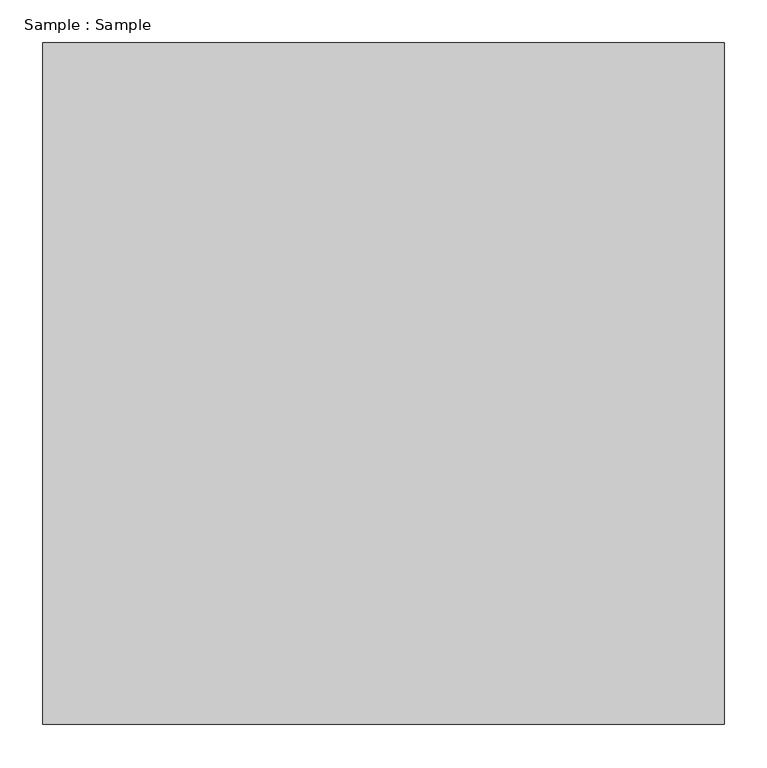
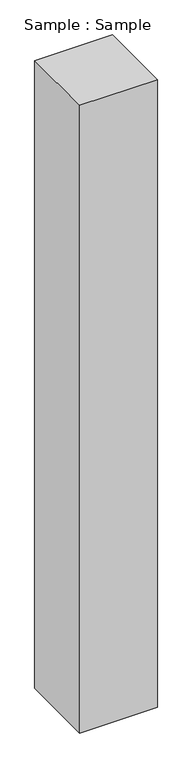
"""IFC4 building model written with IfcOpenShell, lengths in millimetres: proxy geometry, Sample : Sample."""

from ifc_helpers import new_model, si_unit, origin, origin_with_axes, place, context, project, spatial, polyline, outline, extrude, source, transform, mapped, element, save


def sample_sample_cf50a6cc(model_context):
    return source(origin(), model_context, "Body", "SweptSolid", [
        extrude(outline(polyline([(400.0, 400.0), (400.0, -400.0), (-400.0, -400.0), (-400.0, 400.0), (400.0, 400.0)])), origin_with_axes(), (0.0, 0.0, 1.0), 6827.5862069),
    ])


if __name__ == "__main__":
    model = new_model("IFC4")
    model_context = context("Model", 3, world=origin())
    ifc_project = project(units=[si_unit("LENGTHUNIT", "METRE", prefix="MILLI")], contexts=[model_context])
    site = spatial("IfcSite", under=ifc_project)
    building = spatial("IfcBuilding", under=site)
    placement = place(None, origin())
    sample_sample_shape = sample_sample_cf50a6cc(model_context)
    element("IfcBuildingElementProxy", 1, Name="Sample : Sample", ObjectType="Sample : Sample", at=placement, inside=building, context=model_context, shape_type="MappedRepresentation", body=[
        mapped(sample_sample_shape, transform((0.0, 0.0, 0.0), x_axis=(1.0, 0.0, 0.0), y_axis=(0.0, 1.0, 0.0), z_axis=(0.0, 0.0, 1.0))),
    ])
    save(model, "model.ifc")
